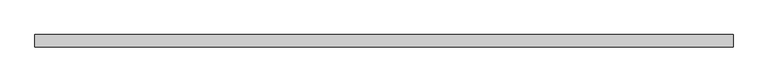
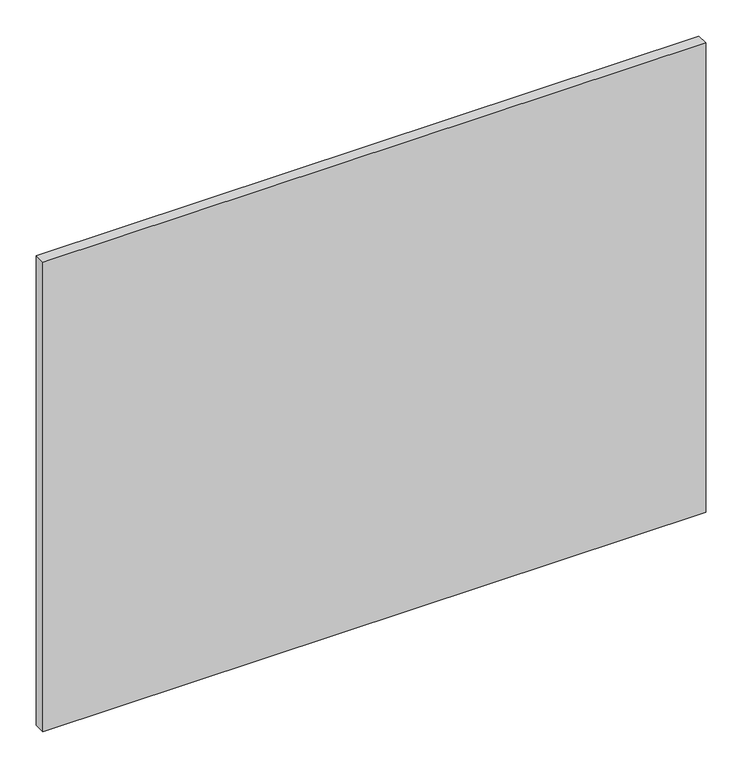
"""IFC4 building model written with IfcOpenShell, lengths in millimetres: proxy geometry."""

from ifc_helpers import new_model, si_unit, frame, origin, place, context, project, spatial, polyline, outline, extrude, source, transform, mapped, element, save


def specialty_equipment_d68779eb(model_context):
    return source(origin(), model_context, "Body", "SweptSolid", [
        extrude(outline(polyline([(531.5204, 0.0), (-531.5204, 0.0), (-531.5204, 19.05), (531.5204, 19.05), (531.5204, 0.0)])), frame((0.0, 0.0, 3.175), z_axis=(0.0, 0.0, 1.0), x_axis=(1.0, 0.0, 0.0)), (0.0, 0.0, 1.0), 796.0868001),
    ])


if __name__ == "__main__":
    model = new_model("IFC4")
    model_context = context("Model", 3, world=origin())
    ifc_project = project(units=[si_unit("LENGTHUNIT", "METRE", prefix="MILLI")], contexts=[model_context])
    site = spatial("IfcSite", under=ifc_project)
    building = spatial("IfcBuilding", under=site)
    placement = place(None, origin())
    specialty_equipment_shape = specialty_equipment_d68779eb(model_context)
    element("IfcBuildingElementProxy", 1, Name="Specialty Equipment", at=placement, inside=building, context=model_context, shape_type="MappedRepresentation", body=[
        mapped(specialty_equipment_shape, transform((0.0, 0.0, 0.0), x_axis=(1.0, 0.0, 0.0), y_axis=(0.0, 1.0, 0.0), z_axis=(0.0, 0.0, 1.0))),
    ])
    save(model, "model.ifc")
